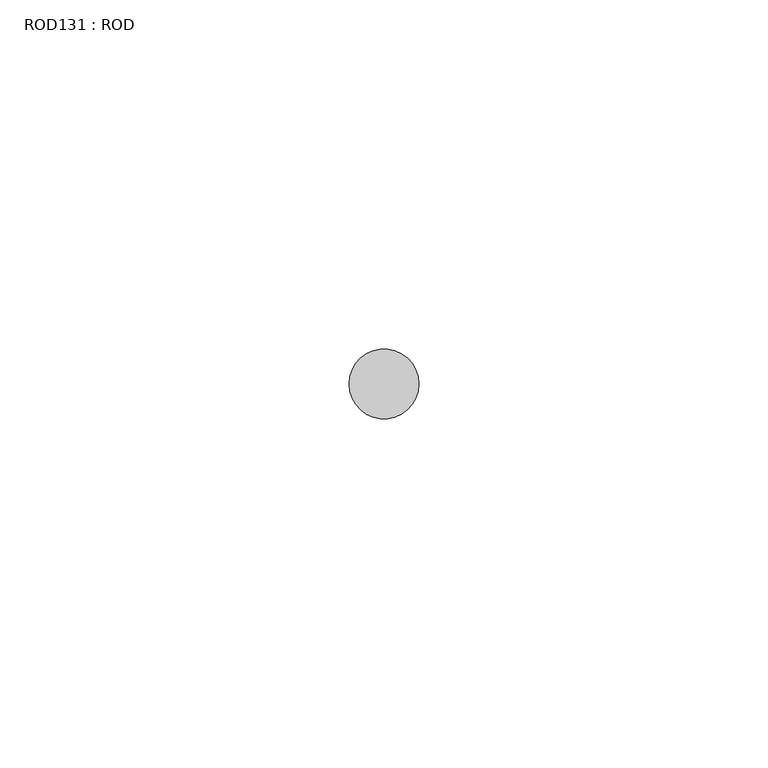
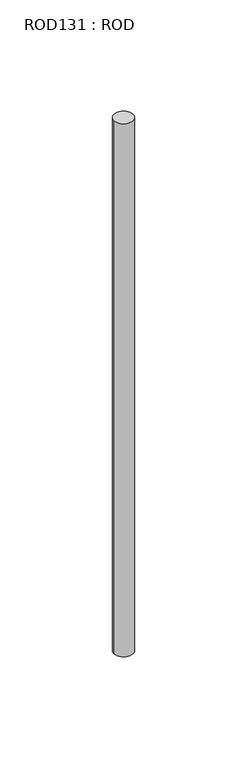
"""IFC4 building model written with IfcOpenShell, lengths in millimetres: proxy geometry, ROD131 : ROD."""

from ifc_helpers import new_model, si_unit, point, frame, frame_2d, origin, place, context, project, spatial, circle_curve, trimmed, segment, composite_curve, outline, extrude, source, transform, mapped, element, save


def rod131_rod_fe842548(model_context):
    return source(origin(), model_context, "Body", "SweptSolid", [
        extrude(outline(composite_curve([segment(trimmed(circle_curve(frame_2d((3379.7673324, -12414.6300853)), 5.0), [point((3374.7673324, -12414.6300853))], [point((3384.7673324, -12414.6300853))], False, "CARTESIAN"), True, "CONTINUOUS"), segment(trimmed(circle_curve(frame_2d((3379.7673324, -12414.6300853)), 5.0), [point((3384.7673324, -12414.6300853))], [point((3374.7673324, -12414.6300853))], False, "CARTESIAN"), True, "CONTINUOUS")], self_intersect=False)), frame((0.0, 0.0, -208.6608845), z_axis=(0.0, 0.0, 1.0), x_axis=(1.0, 0.0, 0.0)), (0.0, 0.0, 1.0), 298.9028972),
    ])


if __name__ == "__main__":
    model = new_model("IFC4")
    model_context = context("Model", 3, world=origin())
    ifc_project = project(units=[si_unit("LENGTHUNIT", "METRE", prefix="MILLI")], contexts=[model_context])
    site = spatial("IfcSite", under=ifc_project)
    building = spatial("IfcBuilding", under=site)
    placement = place(None, origin())
    rod131_rod_shape = rod131_rod_fe842548(model_context)
    element("IfcBuildingElementProxy", 1, Name="ROD131 : ROD", ObjectType="ROD131 : ROD", at=placement, inside=building, context=model_context, shape_type="MappedRepresentation", body=[
        mapped(rod131_rod_shape, transform((0.0, 0.0, 0.0), x_axis=(1.0, 0.0, 0.0), y_axis=(0.0, 1.0, 0.0), z_axis=(0.0, 0.0, 1.0))),
    ])
    save(model, "model.ifc")
